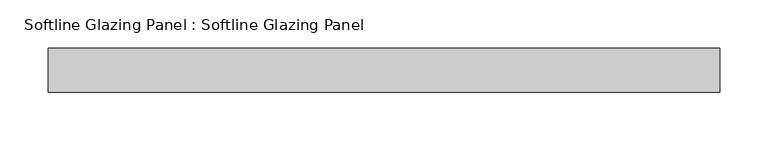
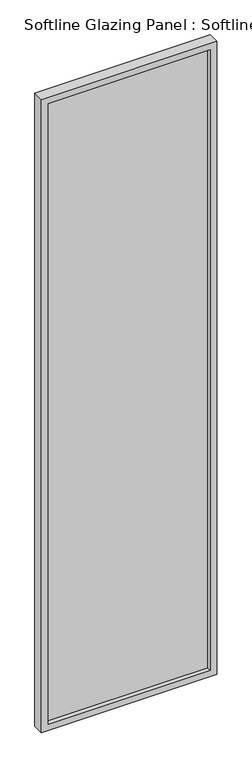
"""IFC4 building model written with IfcOpenShell, lengths in millimetres: plate geometry, Softline Glazing Panel : Softline Glazing Panel."""

from ifc_helpers import new_model, si_unit, frame, origin, place, context, project, spatial, polyline, outline, extrude, faceted_brep, source, transform, mapped, element, save


def softline_glazing_panel_softline_glazing_panel_ea1e9d0c(model_context):
    return source(origin(), model_context, "Body", "SolidModel", [
        extrude(outline(polyline([(330.5, 4.0), (330.5, -4.0), (-330.5, -4.0), (-330.5, 4.0), (330.5, 4.0)])), frame((0.0, 0.0, 16.0), z_axis=(0.0, 0.0, 1.0), x_axis=(1.0, 0.0, 0.0)), (0.0, 0.0, 1.0), 2614.0),
        faceted_brep([(320.5, 4.0, 26.0), (320.5, 22.5, 26.0), (-320.5, 22.5, 26.0), (-320.5, 4.0, 26.0), (330.5, -4.0, 16.0), (330.5, 4.0, 16.0), (-330.5, 4.0, 16.0), (-330.5, -4.0, 16.0), (320.5, -22.5, 26.0), (320.5, -4.0, 26.0), (-320.5, -4.0, 26.0), (-320.5, -22.5, 26.0), (346.5, 22.5, 0.0), (346.5, -22.5, 0.0), (-346.5, -22.5, 0.0), (-346.5, 22.5, 0.0), (-320.5, 22.5, 2620.0), (-320.5, 4.0, 2620.0), (-330.5, 4.0, 2630.0), (-330.5, -4.0, 2630.0), (-320.5, -4.0, 2620.0), (-320.5, -22.5, 2620.0), (-346.5, -22.5, 2646.0), (-346.5, 22.5, 2646.0), (320.5, 22.5, 2620.0), (320.5, 4.0, 2620.0), (330.5, 4.0, 2630.0), (330.5, -4.0, 2630.0), (320.5, -4.0, 2620.0), (320.5, -22.5, 2620.0), (346.5, -22.5, 2646.0), (346.5, 22.5, 2646.0)], [[[0, 1, 2, 3]], [[4, 5, 6, 7]], [[8, 9, 10, 11]], [[12, 13, 14, 15]], [[3, 2, 16, 17]], [[7, 6, 18, 19]], [[11, 10, 20, 21]], [[15, 14, 22, 23]], [[17, 16, 24, 25]], [[19, 18, 26, 27]], [[21, 20, 28, 29]], [[23, 22, 30, 31]], [[15, 23, 31, 12], [1, 24, 16, 2]], [[25, 24, 1, 0]], [[5, 26, 18, 6], [3, 17, 25, 0]], [[27, 26, 5, 4]], [[7, 19, 27, 4], [9, 28, 20, 10]], [[29, 28, 9, 8]], [[13, 30, 22, 14], [11, 21, 29, 8]], [[31, 30, 13, 12]]]),
    ])


if __name__ == "__main__":
    model = new_model("IFC4")
    model_context = context("Model", 3, world=origin())
    ifc_project = project(units=[si_unit("LENGTHUNIT", "METRE", prefix="MILLI")], contexts=[model_context])
    site = spatial("IfcSite", under=ifc_project)
    building = spatial("IfcBuilding", under=site)
    placement = place(None, origin())
    softline_glazing_panel_softline_glazing_panel_shape = softline_glazing_panel_softline_glazing_panel_ea1e9d0c(model_context)
    element("IfcPlate", 1, ObjectType="Softline Glazing Panel : Softline Glazing Panel", at=placement, inside=building, context=model_context, shape_type="MappedRepresentation", body=[
        mapped(softline_glazing_panel_softline_glazing_panel_shape, transform((0.0, 0.0, 0.0), x_axis=(1.0, 0.0, 0.0), y_axis=(0.0, 1.0, 0.0), z_axis=(0.0, 0.0, 1.0))),
    ])
    save(model, "model.ifc")
